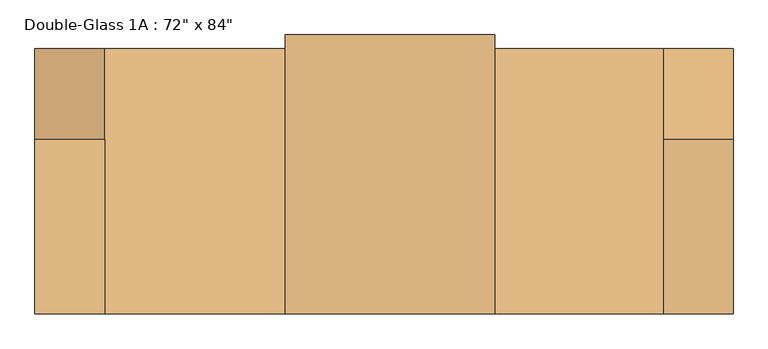
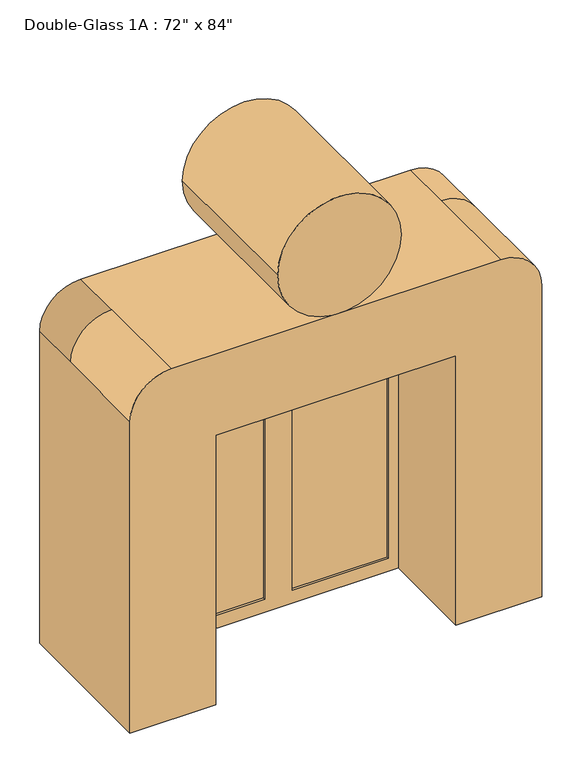
"""IFC4 building model written with IfcOpenShell, lengths in millimetres: door geometry."""

from ifc_helpers import new_model, si_unit, point, frame, frame_2d, origin, place, context, project, spatial, polyline, circle_curve, trimmed, segment, composite_curve, outline, extrude, source, transform, mapped, element, save
from ifc_brep_helpers import plane_surface, cylinder_surface, advanced_brep


def door_35ba6546(model_context):
    return source(origin(), model_context, "Body", "SolidModel", [
        advanced_brep(
        [(889.0, -835.81875, 2108.2), (889.0, -835.81875, 0.0), (1524.0, -835.81875, 0.0), (1524.0, -835.81875, 2438.4), (1219.2, -835.81875, 2743.2), (-1219.2, -835.81875, 2743.2), (-1524.0, -835.81875, 2438.4), (-1524.0, -835.81875, 0.0), (-889.0, -835.81875, 0.0), (-889.0, -835.81875, 2108.2), (-889.0, 323.05625, 2108.2), (889.0, 323.05625, 2108.2), (-889.0, 323.05625, 0.0), (-1524.0, 323.05625, 0.0), (-1524.0, -73.81875, 2438.4), (-1524.0, 323.05625, 2438.4), (-1219.2, -73.81875, 2743.2), (1219.2, -73.81875, 2743.2), (1219.2, 323.05625, 2743.2), (-1219.2, 323.05625, 2743.2), (1524.0, -73.81875, 2438.4), (1524.0, 323.05625, 0.0), (1524.0, 323.05625, 2438.4), (889.0, 323.05625, 0.0)],
        [
            (0, 1),
            (1, 2),
            (2, 3),
            (3, 4, circle_curve(frame((1219.2, -835.81875, 2438.4), z_axis=(0.0, -1.0, 0.0), x_axis=(-1.0, 0.0, 0.0)), 304.8)),
            (4, 5),
            (5, 6, circle_curve(frame((-1219.2, -835.81875, 2438.4), z_axis=(0.0, -1.0, 0.0), x_axis=(-1.0, 0.0, 0.0)), 304.8)),
            (6, 7),
            (7, 8),
            (8, 9),
            (9, 0),
            (9, 10),
            (10, 11),
            (11, 0),
            (8, 12),
            (12, 10),
            (7, 13),
            (13, 12),
            (6, 14),
            (14, 15),
            (15, 13),
            (16, 14, circle_curve(frame((-1219.2, -73.81875, 2438.4), z_axis=(0.0, -1.0, 0.0), x_axis=(-1.0, 0.0, 0.0)), 304.8)),
            (5, 16),
            (4, 17),
            (17, 18),
            (18, 19),
            (19, 16),
            (20, 17, circle_curve(frame((1219.2, -73.81875, 2438.4), z_axis=(0.0, -1.0, 0.0), x_axis=(-1.0, 0.0, 0.0)), 304.8)),
            (3, 20),
            (21, 22),
            (22, 20),
            (2, 21),
            (1, 23),
            (23, 21),
            (11, 23),
            (15, 19, circle_curve(frame((-1219.2, 323.05625, 2438.4), z_axis=(0.0, 1.0, 0.0), x_axis=(1.0, 0.0, 0.0)), 304.8)),
            (18, 22, circle_curve(frame((1219.2, 323.05625, 2438.4), z_axis=(0.0, 1.0, 0.0), x_axis=(1.0, 0.0, 0.0)), 304.8)),
        ],
        [
            plane_surface(frame((889.0, -835.81875, 2108.2), z_axis=(0.0, -1.0, 0.0), x_axis=(-1.0, 0.0, 0.0))),
            plane_surface(frame((889.0, -835.81875, 2108.2), z_axis=(0.0, 0.0, -1.0), x_axis=(0.0, 1.0, 0.0))),
            plane_surface(frame((-889.0, -835.81875, 2108.2), z_axis=(1.0, 0.0, 0.0), x_axis=(0.0, 1.0, 0.0))),
            plane_surface(frame((-889.0, -835.81875, 0.0), z_axis=(0.0, 0.0, -1.0), x_axis=(0.0, 1.0, 0.0))),
            plane_surface(frame((-1524.0, -835.81875, 0.0), z_axis=(-1.0, 0.0, 0.0), x_axis=(0.0, 1.0, 0.0))),
            cylinder_surface(frame((-1219.2, -73.81875, 2438.4), z_axis=(0.0, -1.0, 0.0), x_axis=(-1.0, 0.0, 0.0)), 304.8),
            plane_surface(frame((-1219.2, -835.81875, 2743.2), z_axis=(0.0, 0.0, 1.0), x_axis=(0.0, 1.0, 0.0))),
            cylinder_surface(frame((1219.2, -73.81875, 2438.4), z_axis=(0.0, -1.0, 0.0), x_axis=(-1.0, 0.0, 0.0)), 304.8),
            plane_surface(frame((1524.0, -835.81875, 2438.4), z_axis=(1.0, 0.0, 0.0), x_axis=(0.0, 1.0, 0.0))),
            plane_surface(frame((1524.0, -835.81875, 0.0), z_axis=(0.0, 0.0, -1.0), x_axis=(0.0, 1.0, 0.0))),
            plane_surface(frame((889.0, -835.81875, 0.0), z_axis=(-1.0, 0.0, 0.0), x_axis=(0.0, 1.0, 0.0))),
            plane_surface(frame((1524.0, 323.05625, 2438.4), z_axis=(0.0, 1.0, 0.0), x_axis=(0.0, 0.0, 1.0))),
            cylinder_surface(frame((1219.2, -134.14375, 2438.4), z_axis=(0.0, 1.0, 0.0), x_axis=(1.0, 0.0, 0.0)), 304.8),
            cylinder_surface(frame((-1219.2, -134.14375, 2438.4), z_axis=(0.0, 1.0, 0.0), x_axis=(1.0, 0.0, 0.0)), 304.8),
        ],
        [
            (0, [[1, 2, 3, 4, 5, 6, 7, 8, 9, 10]]),
            (1, [[11, 12, 13, -10]]),
            (2, [[14, 15, -11, -9]]),
            (3, [[16, 17, -14, -8]]),
            (4, [[18, 19, 20, -16, -7]]),
            (5, [[21, -18, -6, 22]]),
            (6, [[23, 24, 25, 26, -22, -5]]),
            (7, [[27, -23, -4, 28]]),
            (8, [[29, 30, -28, -3, 31]]),
            (9, [[32, 33, -31, -2]]),
            (10, [[34, -32, -1, -13]]),
            (11, [[-33, -34, -12, -15, -17, -20, 35, -25, 36, -29]]),
            (12, [[-24, -27, -30, -36]]),
            (13, [[-19, -21, -26, -35]]),
        ],
    ),
        extrude(outline(polyline([(812.8, -73.81875), (812.8, -80.9625), (101.6, -80.9625), (101.6, -73.81875), (812.8, -73.81875)])), frame((0.0, 0.0, 101.6), z_axis=(0.0, 0.0, 1.0), x_axis=(1.0, 0.0, 0.0)), (0.0, 0.0, 1.0), 1930.4),
        extrude(outline(polyline([(-101.6, -73.81875), (-101.6, -80.9625), (-812.8, -80.9625), (-812.8, -73.81875), (-101.6, -73.81875)])), frame((0.0, 0.0, 101.6), z_axis=(0.0, 0.0, 1.0), x_axis=(1.0, 0.0, 0.0)), (0.0, 0.0, 1.0), 1930.4),
        extrude(outline(polyline([(2133.6, 914.4), (2133.6, -914.4), (0.0, -914.4), (0.0, 914.4), (2133.6, 914.4)]), holes=[polyline([(2032.0, -101.6), (101.6, -101.6), (101.6, -812.8), (2032.0, -812.8), (2032.0, -101.6)]), polyline([(2032.0, 812.8), (101.6, 812.8), (101.6, 101.6), (2032.0, 101.6), (2032.0, 812.8)])]), frame((0.0, -99.21875, 0.0), z_axis=(0.0, 1.0, 0.0), x_axis=(0.0, 0.0, 1.0)), (0.0, 0.0, 1.0), 71.4375),
        extrude(outline(composite_curve([segment(trimmed(circle_curve(frame_2d((3200.4, 25.4)), 457.2), [point((3200.4, 482.6))], [point((3200.4, -431.8))], False, "CARTESIAN"), True, "CONTINUOUS"), segment(trimmed(circle_curve(frame_2d((3200.4, 25.4)), 457.2), [point((3200.4, -431.8))], [point((3200.4, 482.6))], False, "CARTESIAN"), True, "CONTINUOUS")], self_intersect=False)), frame((0.0, -835.81875, 0.0), z_axis=(0.0, 1.0, 0.0), x_axis=(0.0, 0.0, 1.0)), (0.0, 0.0, 1.0), 1219.2),
    ])


if __name__ == "__main__":
    model = new_model("IFC4")
    model_context = context("Model", 3, world=origin())
    ifc_project = project(units=[si_unit("LENGTHUNIT", "METRE", prefix="MILLI")], contexts=[model_context])
    site = spatial("IfcSite", under=ifc_project)
    building = spatial("IfcBuilding", under=site)
    placement = place(None, origin())
    door_shape = door_35ba6546(model_context)
    element("IfcDoor", 1, ObjectType="Double-Glass 1A : 72\" x 84\"", at=placement, inside=building, context=model_context, shape_type="MappedRepresentation", body=[
        mapped(door_shape, transform((0.0, 0.0, 0.0), x_axis=(1.0, 0.0, 0.0), y_axis=(0.0, 1.0, 0.0), z_axis=(0.0, 0.0, 1.0))),
    ])
    save(model, "model.ifc")
